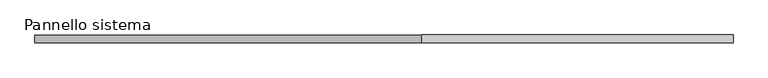
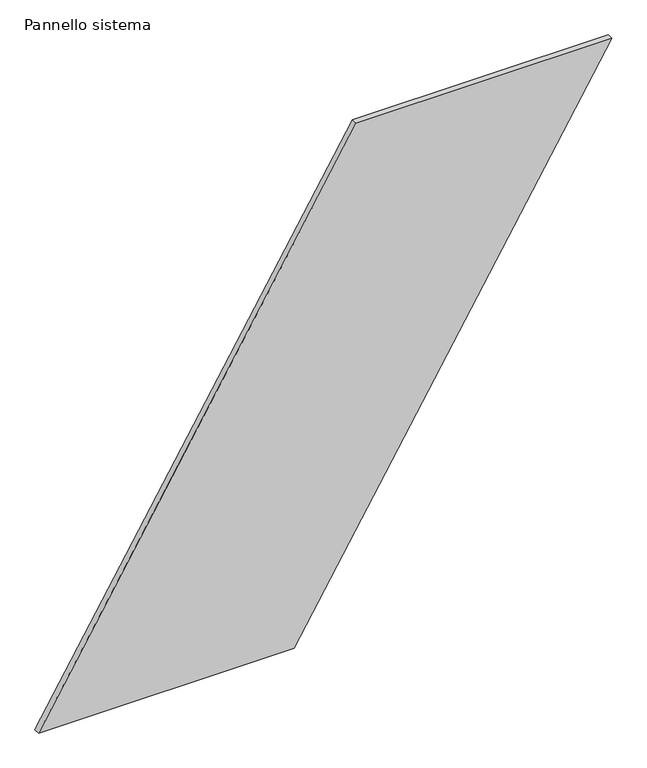
"""IFC4 building model written with IfcOpenShell, lengths in millimetres: plate geometry, Pannello sistema."""

from ifc_helpers import new_model, si_unit, frame, origin, place, context, project, spatial, polyline, outline, extrude, source, transform, mapped, element, save


def pannello_sistema_476f76a2(model_context):
    return source(origin(), model_context, "Body", "SweptSolid", [
        extrude(outline(polyline([(0.0, -1148.7534073), (0.0, -124.2585463), (2135.4974192, 1148.7534073), (2135.4974192, 124.2585463), (0.0, -1148.7534073)])), frame((0.0, -12.5, 0.0), z_axis=(0.0, 1.0, 0.0), x_axis=(0.0, 0.0, 1.0)), (0.0, 0.0, 1.0), 25.0),
    ])


if __name__ == "__main__":
    model = new_model("IFC4")
    model_context = context("Model", 3, world=origin())
    ifc_project = project(units=[si_unit("LENGTHUNIT", "METRE", prefix="MILLI")], contexts=[model_context])
    site = spatial("IfcSite", under=ifc_project)
    building = spatial("IfcBuilding", under=site)
    placement = place(None, origin())
    pannello_sistema_shape = pannello_sistema_476f76a2(model_context)
    element("IfcPlate", 1, ObjectType="Pannello sistema", at=placement, inside=building, context=model_context, shape_type="MappedRepresentation", body=[
        mapped(pannello_sistema_shape, transform((0.0, 0.0, 0.0), x_axis=(1.0, 0.0, 0.0), y_axis=(0.0, 1.0, 0.0), z_axis=(0.0, 0.0, 1.0))),
    ])
    save(model, "model.ifc")
